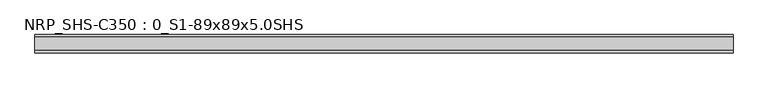
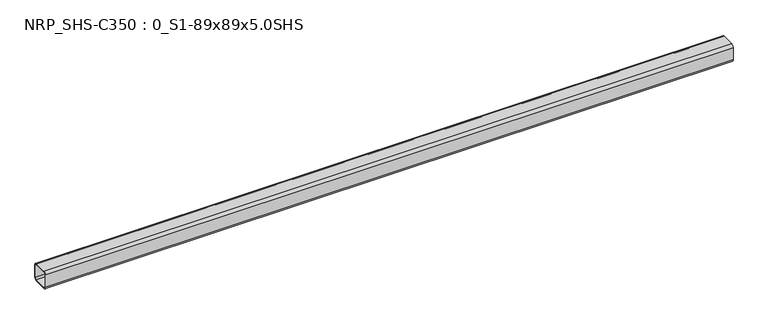
"""IFC4 building model written with IfcOpenShell, lengths in millimetres: beam geometry, NRP_SHS-C350 : 0_S1-89x89x5.0SHS."""

from ifc_helpers import new_model, si_unit, point, frame, frame_2d, origin, place, context, project, spatial, polyline, circle_curve, trimmed, segment, composite_curve, outline, extrude, source, transform, mapped, element, save


def nrp_shs_c350_0_s1_89x89x5_0shs_e2368277(model_context):
    return source(origin(), model_context, "Body", "SweptSolid", [
        extrude(outline(composite_curve([segment(trimmed(circle_curve(frame_2d((-32.0, 32.0)), 12.5), [point((-44.5, 32.0))], [point((-32.0, 44.5))], False, "CARTESIAN"), True, "CONTINUOUS"), segment(polyline([(-32.0, 44.5), (32.0, 44.5)]), True, "CONTINUOUS"), segment(trimmed(circle_curve(frame_2d((32.0, 32.0)), 12.5), [point((32.0, 44.5))], [point((44.5, 32.0))], False, "CARTESIAN"), True, "CONTINUOUS"), segment(polyline([(44.5, 32.0), (44.5, -32.0)]), True, "CONTINUOUS"), segment(trimmed(circle_curve(frame_2d((32.0, -32.0)), 12.5), [point((44.5, -32.0))], [point((32.0, -44.5))], False, "CARTESIAN"), True, "CONTINUOUS"), segment(polyline([(32.0, -44.5), (-32.0, -44.5)]), True, "CONTINUOUS"), segment(trimmed(circle_curve(frame_2d((-32.0, -32.0)), 12.5), [point((-32.0, -44.5))], [point((-44.5, -32.0))], False, "CARTESIAN"), True, "CONTINUOUS"), segment(polyline([(-44.5, -32.0), (-44.5, 32.0)]), True, "CONTINUOUS")], self_intersect=False), holes=[composite_curve([segment(polyline([(32.0, 39.5), (-32.0, 39.5)]), True, "CONTINUOUS"), segment(trimmed(circle_curve(frame_2d((-32.0, 32.0)), 7.5), [point((-32.0, 39.5))], [point((-39.5, 32.0))], True, "CARTESIAN"), True, "CONTINUOUS"), segment(polyline([(-39.5, 32.0), (-39.5, -32.0)]), True, "CONTINUOUS"), segment(trimmed(circle_curve(frame_2d((-32.0, -32.0)), 7.5), [point((-39.5, -32.0))], [point((-32.0, -39.5))], True, "CARTESIAN"), True, "CONTINUOUS"), segment(polyline([(-32.0, -39.5), (32.0, -39.5)]), True, "CONTINUOUS"), segment(trimmed(circle_curve(frame_2d((32.0, -32.0)), 7.5), [point((32.0, -39.5))], [point((39.5, -32.0))], True, "CARTESIAN"), True, "CONTINUOUS"), segment(polyline([(39.5, -32.0), (39.5, 32.0)]), True, "CONTINUOUS"), segment(trimmed(circle_curve(frame_2d((32.0, 32.0)), 7.5), [point((39.5, 32.0))], [point((32.0, 39.5))], True, "CARTESIAN"), True, "CONTINUOUS")], self_intersect=False)]), frame((-1700.0, 0.0, 0.0), z_axis=(1.0, 0.0, 0.0), x_axis=(0.0, 1.0, 0.0)), (0.0, 0.0, 1.0), 3385.0),
    ])


if __name__ == "__main__":
    model = new_model("IFC4")
    model_context = context("Model", 3, world=origin())
    ifc_project = project(units=[si_unit("LENGTHUNIT", "METRE", prefix="MILLI")], contexts=[model_context])
    site = spatial("IfcSite", under=ifc_project)
    building = spatial("IfcBuilding", under=site)
    placement = place(None, origin())
    nrp_shs_c350_0_s1_89x89x5_0shs_shape = nrp_shs_c350_0_s1_89x89x5_0shs_e2368277(model_context)
    element("IfcBeam", 1, ObjectType="NRP_SHS-C350 : 0_S1-89x89x5.0SHS", at=placement, inside=building, context=model_context, shape_type="MappedRepresentation", body=[
        mapped(nrp_shs_c350_0_s1_89x89x5_0shs_shape, transform((0.0, 0.0, 0.0), x_axis=(1.0, 0.0, 0.0), y_axis=(0.0, 1.0, 0.0), z_axis=(0.0, 0.0, 1.0))),
    ])
    save(model, "model.ifc")
